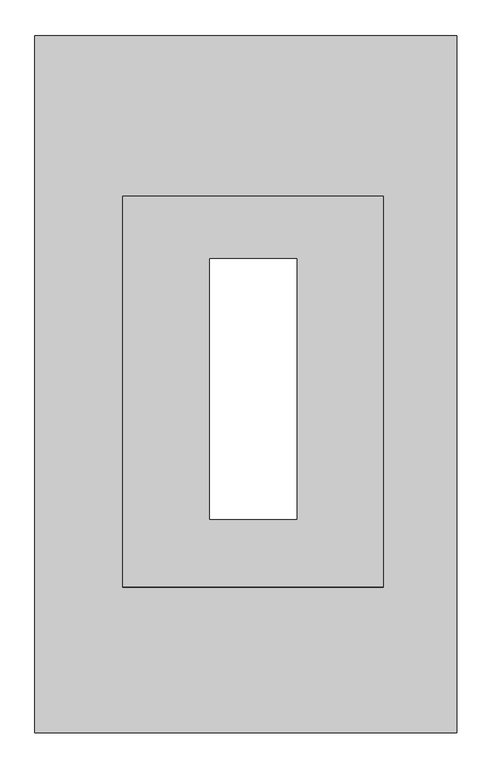
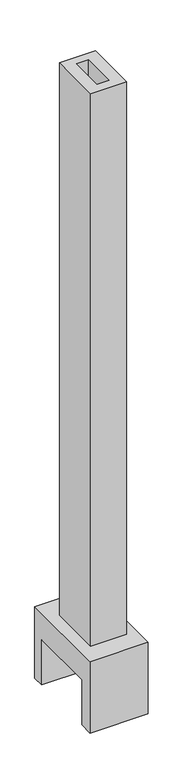
"""IFC4 building model written with IfcOpenShell, lengths in millimetres: proxy geometry."""

from ifc_helpers import new_model, si_unit, origin, place, context, project, spatial, faceted_brep, source, transform, mapped, element, save


def generic_models_82141923(model_context):
    return source(origin(), model_context, "Body", "Brep", [
        faceted_brep([(-6338.9863284, 7092.3819101, 965.2254), (-7079.1823334, 7092.3819101, 965.2254), (-7079.1823334, 5869.2251285, 965.2254), (-6338.9863284, 5869.2251285, 965.2254), (-6925.136525, 6809.0251285, 965.2254), (-6467.936525, 6809.0251285, 965.2254), (-6467.936525, 6124.6565289, 965.2254), (-6925.136525, 6124.6565289, 965.2254), (-6338.9863284, 7092.3819101, 0.0), (-6338.9863284, 5869.2251285, 0.0), (-7079.1823334, 5869.2251285, 0.0), (-7079.1823334, 6050.9819101, 0.0), (-6515.6221345, 6050.9819101, 0.0), (-6515.6221345, 6939.9819101, 0.0), (-7079.1823334, 6939.9819101, 0.0), (-7079.1823334, 7092.3819101, 0.0), (-7079.1823334, 6939.9819101, 608.097098), (-7079.1823334, 6050.9819101, 608.097098), (-6620.336525, 6776.3535448, 965.2254), (-6620.336525, 6776.3535448, 608.097098), (-6620.336525, 6181.3258186, 608.097098), (-6620.336525, 6181.3258186, 965.2254), (-6620.336525, 6242.7147895, 965.2254), (-6620.336525, 6242.7147895, 8415.9499103), (-6620.336525, 6699.9147895, 8415.9499103), (-6620.336525, 6699.9147895, 965.2254), (-6772.736525, 6181.3258186, 608.097098), (-6772.736525, 6181.3258186, 965.2254), (-6772.736525, 6776.3535448, 608.097098), (-6772.736525, 6776.3535448, 965.2254), (-6772.736525, 6699.9147895, 965.2254), (-6772.736525, 6699.9147895, 8415.9499103), (-6772.736525, 6242.7147895, 8415.9499103), (-6772.736525, 6242.7147895, 965.2254), (-6467.936525, 6809.0251285, 8415.9499103), (-6925.136525, 6809.0251285, 8415.9499103), (-6925.136525, 6124.6565289, 8415.9499103), (-6467.936525, 6124.6565289, 8415.9499103), (-6515.6221345, 6939.9819101, 608.097098), (-6515.6221345, 6050.9819101, 608.097098)], [[[0, 1, 2, 3], [4, 5, 6, 7]], [[8, 9, 10, 11, 12, 13, 14, 15]], [[1, 0, 8, 15]], [[2, 1, 15, 14, 16, 17, 11, 10]], [[3, 2, 10, 9]], [[0, 3, 9, 8]], [[18, 19, 20, 21, 22, 23, 24, 25]], [[21, 20, 26, 27]], [[27, 26, 28, 29, 30, 31, 32, 33]], [[19, 18, 29, 28]], [[34, 35, 36, 37], [24, 23, 32, 31]], [[25, 30, 29, 18]], [[33, 22, 21, 27]], [[35, 34, 5, 4]], [[36, 35, 4, 7]], [[37, 36, 7, 6]], [[34, 37, 6, 5]], [[32, 23, 22, 33]], [[24, 31, 30, 25]], [[38, 39, 17, 16], [20, 19, 28, 26]], [[13, 38, 16, 14]], [[39, 12, 11, 17]], [[39, 38, 13, 12]]]),
    ])


if __name__ == "__main__":
    model = new_model("IFC4")
    model_context = context("Model", 3, world=origin())
    ifc_project = project(units=[si_unit("LENGTHUNIT", "METRE", prefix="MILLI")], contexts=[model_context])
    site = spatial("IfcSite", under=ifc_project)
    building = spatial("IfcBuilding", under=site)
    placement = place(None, origin())
    generic_models_shape = generic_models_82141923(model_context)
    element("IfcBuildingElementProxy", 1, Name="Generic Models", at=placement, inside=building, context=model_context, shape_type="MappedRepresentation", body=[
        mapped(generic_models_shape, transform((0.0, 0.0, 0.0), x_axis=(1.0, 0.0, 0.0), y_axis=(0.0, 1.0, 0.0), z_axis=(0.0, 0.0, 1.0))),
    ])
    save(model, "model.ifc")
